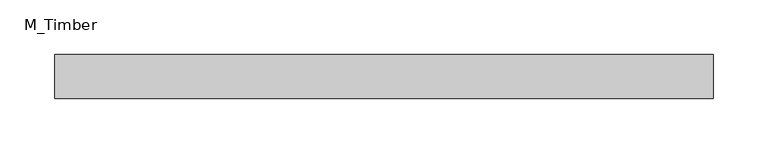
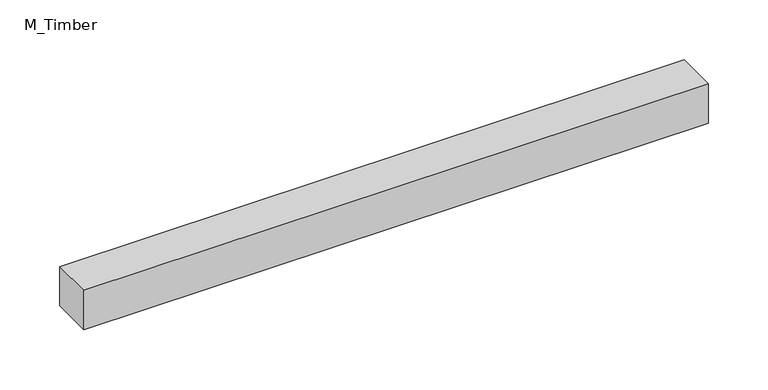
"""IFC4 building model written with IfcOpenShell, lengths in millimetres: beam geometry, M_Timber."""

from ifc_helpers import new_model, si_unit, frame, origin, place, context, project, spatial, polyline, outline, extrude, source, transform, mapped, element, save


def m_timber_ade4ac47(model_context):
    return source(origin(), model_context, "Body", "SweptSolid", [
        extrude(outline(polyline([(300.367772, 20.0), (300.367772, -20.0), (-300.367772, -20.0), (-300.367772, 20.0), (300.367772, 20.0)])), frame((0.0, 0.0, -20.0), z_axis=(0.0, 0.0, 1.0), x_axis=(1.0, 0.0, 0.0)), (0.0, 0.0, 1.0), 40.0),
    ])


if __name__ == "__main__":
    model = new_model("IFC4")
    model_context = context("Model", 3, world=origin())
    ifc_project = project(units=[si_unit("LENGTHUNIT", "METRE", prefix="MILLI")], contexts=[model_context])
    site = spatial("IfcSite", under=ifc_project)
    building = spatial("IfcBuilding", under=site)
    placement = place(None, origin())
    m_timber_shape = m_timber_ade4ac47(model_context)
    element("IfcBeam", 1, ObjectType="M_Timber", at=placement, inside=building, context=model_context, shape_type="MappedRepresentation", body=[
        mapped(m_timber_shape, transform((0.0, 0.0, 0.0), x_axis=(1.0, 0.0, 0.0), y_axis=(0.0, 1.0, 0.0), z_axis=(0.0, 0.0, 1.0))),
    ])
    save(model, "model.ifc")
